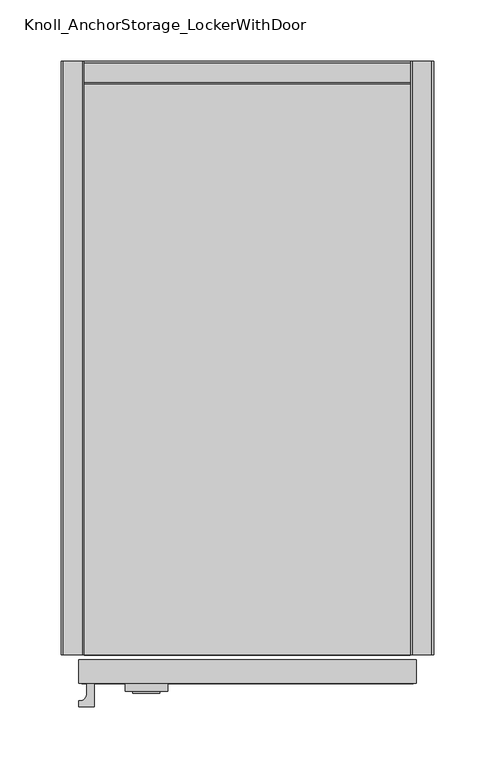
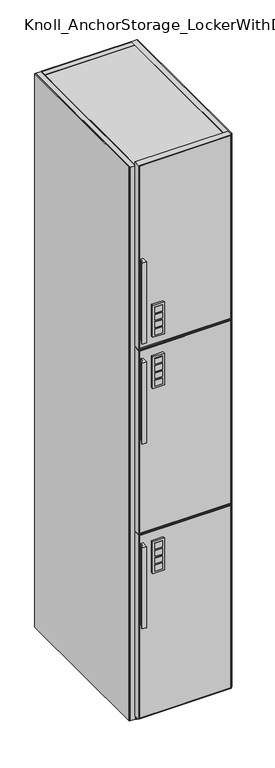
"""IFC4 building model written with IfcOpenShell, lengths in millimetres: furniture geometry, Knoll_AnchorStorage_LockerWithDoor."""

from ifc_helpers import new_model, si_unit, point, frame, frame_2d, origin, origin_with_axes, place, context, project, spatial, polyline, circle_curve, trimmed, segment, composite_curve, outline, extrude, source, transform, mapped, element, save


def knoll_anchorstorage_lockerwithdoor_5aad28ac(model_context):
    return source(origin(), model_context, "Body", "SweptSolid", [
        extrude(outline(polyline([(80.8316053, -516.8391961), (58.7336036, -516.8391961), (58.7336036, -515.2389961), (80.8316053, -515.2389961), (80.8316053, -516.8391961)])), frame((0.0, 0.0, 1221.762375), z_axis=(0.0, 0.0, 1.0), x_axis=(1.0, 0.0, 0.0)), (0.0, 0.0, 1.0), 18.034001),
        extrude(outline(polyline([(80.8316053, -516.8391961), (58.7336036, -516.8391961), (58.7336036, -515.2389961), (80.8316053, -515.2389961), (80.8316053, -516.8391961)])), frame((0.0, 0.0, 1244.8763711), z_axis=(0.0, 0.0, 1.0), x_axis=(1.0, 0.0, 0.0)), (0.0, 0.0, 1.0), 17.779983),
        extrude(outline(polyline([(80.8316053, -516.8391961), (58.7336036, -516.8391961), (58.7336036, -515.2389961), (80.8316053, -515.2389961), (80.8316053, -516.8391961)])), frame((0.0, 0.0, 1267.7363493), z_axis=(0.0, 0.0, 1.0), x_axis=(1.0, 0.0, 0.0)), (0.0, 0.0, 1.0), 17.779983),
        extrude(outline(polyline([(80.8316053, -516.8391961), (58.7336036, -516.8391961), (58.7336036, -515.2389961), (80.8316053, -515.2389961), (80.8316053, -516.8391961)])), frame((0.0, 0.0, 1290.5963638), z_axis=(0.0, 0.0, 1.0), x_axis=(1.0, 0.0, 0.0)), (0.0, 0.0, 1.0), 18.034001),
        extrude(outline(polyline([(87.1816083, -515.2389961), (52.3836052, -515.2389961), (52.3836052, -508.8889961), (87.1816083, -508.8889961), (87.1816083, -515.2389961)])), frame((0.0, 0.0, 1215.4123628), z_axis=(0.0, 0.0, 1.0), x_axis=(1.0, 0.0, 0.0)), (0.0, 0.0, 1.0), 99.5679777),
        extrude(outline(polyline([(80.8316053, -516.8391961), (58.7336036, -516.8391961), (58.7336036, -515.2389961), (80.8316053, -515.2389961), (80.8316053, -516.8391961)])), frame((0.0, 0.0, 1060.9972841), z_axis=(0.0, 0.0, 1.0), x_axis=(1.0, 0.0, 0.0)), (0.0, 0.0, 1.0), 18.034001),
        extrude(outline(polyline([(80.8316053, -516.8391961), (58.7336036, -516.8391961), (58.7336036, -515.2389961), (80.8316053, -515.2389961), (80.8316053, -516.8391961)])), frame((0.0, 0.0, 1084.1112802), z_axis=(0.0, 0.0, 1.0), x_axis=(1.0, 0.0, 0.0)), (0.0, 0.0, 1.0), 17.779983),
        extrude(outline(polyline([(80.8316053, -516.8391961), (58.7336036, -516.8391961), (58.7336036, -515.2389961), (80.8316053, -515.2389961), (80.8316053, -516.8391961)])), frame((0.0, 0.0, 1106.9712584), z_axis=(0.0, 0.0, 1.0), x_axis=(1.0, 0.0, 0.0)), (0.0, 0.0, 1.0), 17.779983),
        extrude(outline(polyline([(80.8316053, -516.8391961), (58.7336036, -516.8391961), (58.7336036, -515.2389961), (80.8316053, -515.2389961), (80.8316053, -516.8391961)])), frame((0.0, 0.0, 1129.8312729), z_axis=(0.0, 0.0, 1.0), x_axis=(1.0, 0.0, 0.0)), (0.0, 0.0, 1.0), 18.034001),
        extrude(outline(polyline([(87.1816083, -515.2389961), (52.3836052, -515.2389961), (52.3836052, -508.8889961), (87.1816083, -508.8889961), (87.1816083, -515.2389961)])), frame((0.0, 0.0, 1054.647272), z_axis=(0.0, 0.0, 1.0), x_axis=(1.0, 0.0, 0.0)), (0.0, 0.0, 1.0), 99.5679777),
        extrude(outline(polyline([(80.8316053, -516.8391961), (58.7336036, -516.8391961), (58.7336036, -515.2389961), (80.8316053, -515.2389961), (80.8316053, -516.8391961)])), frame((0.0, 0.0, 480.8612841), z_axis=(0.0, 0.0, 1.0), x_axis=(1.0, 0.0, 0.0)), (0.0, 0.0, 1.0), 18.034001),
        extrude(outline(polyline([(80.8316053, -516.8391961), (58.7336036, -516.8391961), (58.7336036, -515.2389961), (80.8316053, -515.2389961), (80.8316053, -516.8391961)])), frame((0.0, 0.0, 503.9752802), z_axis=(0.0, 0.0, 1.0), x_axis=(1.0, 0.0, 0.0)), (0.0, 0.0, 1.0), 17.779983),
        extrude(outline(polyline([(80.8316053, -516.8391961), (58.7336036, -516.8391961), (58.7336036, -515.2389961), (80.8316053, -515.2389961), (80.8316053, -516.8391961)])), frame((0.0, 0.0, 526.8352584), z_axis=(0.0, 0.0, 1.0), x_axis=(1.0, 0.0, 0.0)), (0.0, 0.0, 1.0), 17.779983),
        extrude(outline(polyline([(80.8316053, -516.8391961), (58.7336036, -516.8391961), (58.7336036, -515.2389961), (80.8316053, -515.2389961), (80.8316053, -516.8391961)])), frame((0.0, 0.0, 549.6952729), z_axis=(0.0, 0.0, 1.0), x_axis=(1.0, 0.0, 0.0)), (0.0, 0.0, 1.0), 18.034001),
        extrude(outline(polyline([(87.1816083, -515.2389961), (52.3836052, -515.2389961), (52.3836052, -508.8889961), (87.1816083, -508.8889961), (87.1816083, -515.2389961)])), frame((0.0, 0.0, 474.511272), z_axis=(0.0, 0.0, 1.0), x_axis=(1.0, 0.0, 0.0)), (0.0, 0.0, 1.0), 99.5679777),
        extrude(outline(composite_curve([segment(polyline([(27.0002006, -508.8889961), (27.0002006, -527.9389961), (14.3764002, -527.9389961), (14.3764002, -523.0876152), (15.7733997, -523.0876152)]), True, "CONTINUOUS"), segment(trimmed(circle_curve(frame_2d((15.7733997, -518.0838152)), 5.0038), [point((15.7733997, -523.0876152))], [point((20.7771997, -518.0838152))], True, "CARTESIAN"), True, "CONTINUOUS"), segment(polyline([(20.7771997, -518.0838152), (20.7771997, -508.8889961), (27.0002006, -508.8889961)]), True, "CONTINUOUS")], self_intersect=False)), frame((0.0, 0.0, 901.8693333), z_axis=(0.0, 0.0, 1.0), x_axis=(1.0, 0.0, 0.0)), (0.0, 0.0, 1.0), 254.0),
        extrude(outline(composite_curve([segment(polyline([(27.0002006, -508.8889961), (27.0002006, -527.9389961), (14.3764002, -527.9389961), (14.3764002, -523.0876152), (15.7733997, -523.0876152)]), True, "CONTINUOUS"), segment(trimmed(circle_curve(frame_2d((15.7733997, -518.0838152)), 5.0038), [point((15.7733997, -523.0876152))], [point((20.7771997, -518.0838152))], True, "CARTESIAN"), True, "CONTINUOUS"), segment(polyline([(20.7771997, -518.0838152), (20.7771997, -508.8889961), (27.0002006, -508.8889961)]), True, "CONTINUOUS")], self_intersect=False)), frame((0.0, 0.0, 321.7333333), z_axis=(0.0, 0.0, 1.0), x_axis=(1.0, 0.0, 0.0)), (0.0, 0.0, 1.0), 254.0),
        extrude(outline(polyline([(16.8402, -489.8389961), (287.9598, -489.8389961), (287.9598, -508.8889961), (16.8402, -508.8889961), (16.8402, -489.8389961)])), frame((0.0, 0.0, 29.3370013), z_axis=(0.0, 0.0, 1.0), x_axis=(1.0, 0.0, 0.0)), (0.0, 0.0, 1.0), 571.8175),
        extrude(outline(polyline([(16.8402, -489.8389961), (287.9598, -489.8389961), (287.9598, -508.8889961), (16.8402, -508.8889961), (16.8402, -489.8389961)])), frame((0.0, 0.0, 609.4095013), z_axis=(0.0, 0.0, 1.0), x_axis=(1.0, 0.0, 0.0)), (0.0, 0.0, 1.0), 571.7963321),
        extrude(outline(polyline([(16.8402, -489.8389961), (287.9598, -489.8389961), (287.9598, -508.8889961), (16.8402, -508.8889961), (16.8402, -489.8389961)])), frame((0.0, 0.0, 1189.4608333), z_axis=(0.0, 0.0, 1.0), x_axis=(1.0, 0.0, 0.0)), (0.0, 0.0, 1.0), 571.7751667),
        extrude(outline(polyline([(603.6945013, 290.4998), (603.6945013, 14.3002), (26.7970013, 14.3002), (26.7970013, 290.4998), (603.6945013, 290.4998)]), holes=[polyline([(29.3370013, 287.9598), (29.3370013, 16.8402), (601.1545013, 16.8402), (601.1545013, 287.9598), (29.3370013, 287.9598)])]), frame((0.0, -508.8889961, 0.0), z_axis=(0.0, 1.0, 0.0), x_axis=(0.0, 0.0, 1.0)), (0.0, 0.0, 1.0), 19.05),
        extrude(outline(polyline([(1183.7458333, 290.4998), (1183.7458333, 14.3002), (606.8695013, 14.3002), (606.8695013, 290.4998), (1183.7458333, 290.4998)]), holes=[polyline([(609.4095013, 287.9598), (609.4095013, 16.8402), (1181.2058333, 16.8402), (1181.2058333, 287.9598), (609.4095013, 287.9598)])]), frame((0.0, -508.8889961, 0.0), z_axis=(0.0, 1.0, 0.0), x_axis=(0.0, 0.0, 1.0)), (0.0, 0.0, 1.0), 19.05),
        extrude(outline(polyline([(1763.776, 290.4998), (1763.776, 14.3002), (1186.9208333, 14.3002), (1186.9208333, 290.4998), (1763.776, 290.4998)]), holes=[polyline([(1189.4608333, 287.9598), (1189.4608333, 16.8402), (1761.236, 16.8402), (1761.236, 287.9598), (1189.4608333, 287.9598)])]), frame((0.0, -508.8889961, 0.0), z_axis=(0.0, 1.0, 0.0), x_axis=(0.0, 0.0, 1.0)), (0.0, 0.0, 1.0), 19.05),
        extrude(outline(composite_curve([segment(polyline([(20.7771997, -518.0838152), (20.7771997, -508.8889961), (27.0002006, -508.8889961), (27.0002006, -527.9389961), (14.3002002, -527.9389961), (14.3002002, -523.1638152), (15.6971997, -523.1638152)]), True, "CONTINUOUS"), segment(trimmed(circle_curve(frame_2d((15.6971997, -518.0838152)), 5.08), [point((15.6971997, -523.1638152))], [point((20.7771997, -518.0838152))], True, "CARTESIAN"), True, "CONTINUOUS")], self_intersect=False)), frame((0.0, 0.0, 1214.8820242), z_axis=(0.0, 0.0, 1.0), x_axis=(1.0, 0.0, 0.0)), (0.0, 0.0, 1.0), 253.9999758),
        extrude(outline(polyline([(285.75, -485.775), (19.05, -485.775), (19.05, -19.05), (285.75, -19.05), (285.75, -485.775)])), frame((0.0, 0.0, 1175.6813333), z_axis=(0.0, 0.0, 1.0), x_axis=(1.0, 0.0, 0.0)), (0.0, 0.0, 1.0), 19.05),
        extrude(outline(polyline([(285.75, -485.775), (19.05, -485.775), (19.05, 0.0), (285.75, 0.0), (285.75, -485.775)])), frame((0.0, 0.0, 14.4780005), z_axis=(0.0, 0.0, 1.0), x_axis=(1.0, 0.0, 0.0)), (0.0, 0.0, 1.0), 27.0510008),
        extrude(outline(polyline([(285.75, -485.775), (19.05, -485.775), (19.05, 0.0), (285.75, 0.0), (285.75, -485.775)])), frame((0.0, 0.0, 12.5730005), z_axis=(0.0, 0.0, 1.0), x_axis=(1.0, 0.0, 0.0)), (0.0, 0.0, 1.0), 1.905),
        extrude(outline(polyline([(285.75, -485.775), (19.05, -485.775), (19.05, -19.05), (285.75, -19.05), (285.75, -485.775)])), frame((0.0, 0.0, 595.7570013), z_axis=(0.0, 0.0, 1.0), x_axis=(1.0, 0.0, 0.0)), (0.0, 0.0, 1.0), 19.05),
        extrude(outline(polyline([(285.75, -485.775), (19.05, -485.775), (19.05, -19.05), (285.75, -19.05), (285.75, -485.775)])), frame((0.0, 0.0, 1729.994), z_axis=(0.0, 0.0, 1.0), x_axis=(1.0, 0.0, 0.0)), (0.0, 0.0, 1.0), 19.05),
        extrude(outline(polyline([(285.75, -1.905), (285.75, -17.145), (19.05, -17.145), (19.05, -1.905), (285.75, -1.905)])), frame((0.0, 0.0, 41.5290013), z_axis=(0.0, 0.0, 1.0), x_axis=(1.0, 0.0, 0.0)), (0.0, 0.0, 1.0), 1707.5149987),
        extrude(outline(polyline([(285.75, 0.0), (285.75, -1.905), (19.05, -1.905), (19.05, 0.0), (285.75, 0.0)])), frame((0.0, 0.0, 41.5290013), z_axis=(0.0, 0.0, 1.0), x_axis=(1.0, 0.0, 0.0)), (0.0, 0.0, 1.0), 1707.5149987),
        extrude(outline(polyline([(285.75, -17.145), (285.75, -19.05), (19.05, -19.05), (19.05, -17.145), (285.75, -17.145)])), frame((0.0, 0.0, 41.5290013), z_axis=(0.0, 0.0, 1.0), x_axis=(1.0, 0.0, 0.0)), (0.0, 0.0, 1.0), 1707.5149987),
        extrude(outline(polyline([(17.145, 0.0), (17.145, -485.775), (1.905, -485.775), (1.905, 0.0), (17.145, 0.0)])), frame((0.0, 0.0, 12.5730005), z_axis=(0.0, 0.0, 1.0), x_axis=(1.0, 0.0, 0.0)), (0.0, 0.0, 1.0), 1736.4709995),
        extrude(outline(polyline([(302.895, 0.0), (302.895, -485.775), (287.655, -485.775), (287.655, 0.0), (302.895, 0.0)])), frame((0.0, 0.0, 12.5730005), z_axis=(0.0, 0.0, 1.0), x_axis=(1.0, 0.0, 0.0)), (0.0, 0.0, 1.0), 1736.4709995),
        extrude(outline(polyline([(1.905, 0.0), (1.905, -485.775), (0.0, -485.775), (0.0, 0.0), (1.905, 0.0)])), frame((0.0, 0.0, 12.5730005), z_axis=(0.0, 0.0, 1.0), x_axis=(1.0, 0.0, 0.0)), (0.0, 0.0, 1.0), 1736.4709995),
        extrude(outline(polyline([(19.05, 0.0), (19.05, -485.775), (17.145, -485.775), (17.145, 0.0), (19.05, 0.0)])), frame((0.0, 0.0, 12.5730005), z_axis=(0.0, 0.0, 1.0), x_axis=(1.0, 0.0, 0.0)), (0.0, 0.0, 1.0), 1736.4709995),
        extrude(outline(polyline([(302.895, 0.0), (304.8, 0.0), (304.8, -485.775), (302.895, -485.775), (302.895, 0.0)])), frame((0.0, 0.0, 12.5730005), z_axis=(0.0, 0.0, 1.0), x_axis=(1.0, 0.0, 0.0)), (0.0, 0.0, 1.0), 1736.4709995),
        extrude(outline(polyline([(285.75, 0.0), (287.655, 0.0), (287.655, -485.775), (285.75, -485.775), (285.75, 0.0)])), frame((0.0, 0.0, 12.5730005), z_axis=(0.0, 0.0, 1.0), x_axis=(1.0, 0.0, 0.0)), (0.0, 0.0, 1.0), 1736.4709995),
        extrude(outline(composite_curve([segment(trimmed(circle_curve(frame_2d((31.7499992, -44.4499985)), 12.7000015), [point((44.4500008, -44.4499985))], [point((19.0499977, -44.4499985))], False, "CARTESIAN"), True, "CONTINUOUS"), segment(trimmed(circle_curve(frame_2d((31.7499992, -44.4499985)), 12.7000015), [point((19.0499977, -44.4499985))], [point((44.4500008, -44.4499985))], False, "CARTESIAN"), True, "CONTINUOUS")], self_intersect=False)), origin_with_axes(), (0.0, 0.0, 1.0), 12.5730005),
        extrude(outline(composite_curve([segment(trimmed(circle_curve(frame_2d((273.05, -44.4499985)), 12.7000015), [point((285.7500015, -44.4499985))], [point((260.3499985, -44.4499985))], False, "CARTESIAN"), True, "CONTINUOUS"), segment(trimmed(circle_curve(frame_2d((273.05, -44.4499985)), 12.7000015), [point((260.3499985, -44.4499985))], [point((285.7500015, -44.4499985))], False, "CARTESIAN"), True, "CONTINUOUS")], self_intersect=False)), origin_with_axes(), (0.0, 0.0, 1.0), 12.5730005),
        extrude(outline(composite_curve([segment(trimmed(circle_curve(frame_2d((273.05, -460.3749879)), 12.7000015), [point((285.7500015, -460.3749879))], [point((260.3499985, -460.3749879))], False, "CARTESIAN"), True, "CONTINUOUS"), segment(trimmed(circle_curve(frame_2d((273.05, -460.3749879)), 12.7000015), [point((260.3499985, -460.3749879))], [point((285.7500015, -460.3749879))], False, "CARTESIAN"), True, "CONTINUOUS")], self_intersect=False)), origin_with_axes(), (0.0, 0.0, 1.0), 12.5730005),
        extrude(outline(composite_curve([segment(trimmed(circle_curve(frame_2d((31.7499992, -460.3749879)), 12.7000015), [point((44.4500008, -460.3749879))], [point((19.0499977, -460.3749879))], False, "CARTESIAN"), True, "CONTINUOUS"), segment(trimmed(circle_curve(frame_2d((31.7499992, -460.3749879)), 12.7000015), [point((19.0499977, -460.3749879))], [point((44.4500008, -460.3749879))], False, "CARTESIAN"), True, "CONTINUOUS")], self_intersect=False)), origin_with_axes(), (0.0, 0.0, 1.0), 12.5730005),
    ])


if __name__ == "__main__":
    model = new_model("IFC4")
    model_context = context("Model", 3, world=origin())
    ifc_project = project(units=[si_unit("LENGTHUNIT", "METRE", prefix="MILLI")], contexts=[model_context])
    site = spatial("IfcSite", under=ifc_project)
    building = spatial("IfcBuilding", under=site)
    placement = place(None, origin())
    knoll_anchorstorage_lockerwithdoor_shape = knoll_anchorstorage_lockerwithdoor_5aad28ac(model_context)
    element("IfcFurniture", 1, ObjectType="Knoll_AnchorStorage_LockerWithDoor", at=placement, inside=building, context=model_context, shape_type="MappedRepresentation", body=[
        mapped(knoll_anchorstorage_lockerwithdoor_shape, transform((0.0, 0.0, 0.0), x_axis=(1.0, 0.0, 0.0), y_axis=(0.0, 1.0, 0.0), z_axis=(0.0, 0.0, 1.0))),
    ])
    save(model, "model.ifc")
